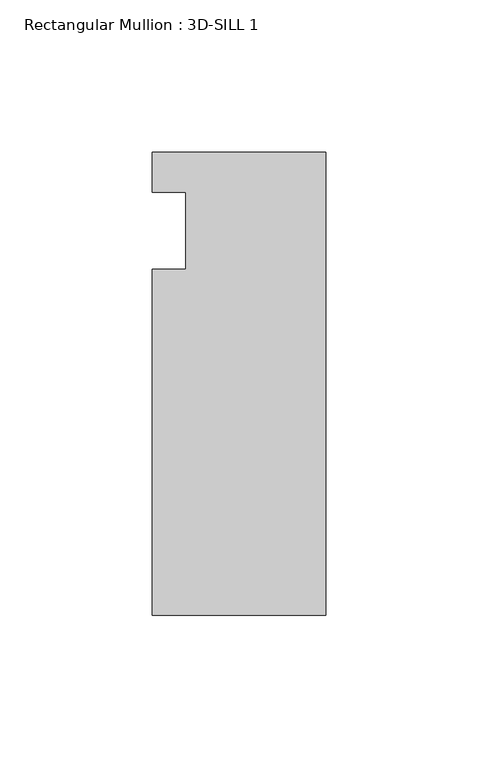
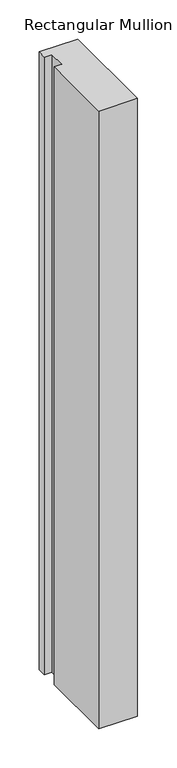
"""IFC4 building model written with IfcOpenShell, lengths in millimetres: member geometry, Rectangular Mullion : 3D-SILL 1."""

from ifc_helpers import new_model, si_unit, frame, origin, place, context, project, spatial, polyline, outline, extrude, source, transform, mapped, element, save


def rectangular_mullion_3d_sill_1_7cfeea24(model_context):
    return source(origin(), model_context, "Body", "SweptSolid", [
        extrude(outline(polyline([(-57.15, 7.14375), (0.0, 7.14375), (0.0, -145.25625), (-57.15, -145.25625), (-57.15, -31.45155), (-46.0375, -31.45155), (-46.0375, -6.05155), (-57.15, -6.05155), (-57.15, 7.14375)])), frame((0.0, 0.0, -963.6550285), z_axis=(0.0, 0.0, 1.0), x_axis=(1.0, 0.0, 0.0)), (0.0, 0.0, 1.0), 963.6550285),
    ])


if __name__ == "__main__":
    model = new_model("IFC4")
    model_context = context("Model", 3, world=origin())
    ifc_project = project(units=[si_unit("LENGTHUNIT", "METRE", prefix="MILLI")], contexts=[model_context])
    site = spatial("IfcSite", under=ifc_project)
    building = spatial("IfcBuilding", under=site)
    placement = place(None, origin())
    rectangular_mullion_3d_sill_1_shape = rectangular_mullion_3d_sill_1_7cfeea24(model_context)
    element("IfcMember", 1, ObjectType="Rectangular Mullion : 3D-SILL 1", at=placement, inside=building, context=model_context, shape_type="MappedRepresentation", body=[
        mapped(rectangular_mullion_3d_sill_1_shape, transform((0.0, 0.0, 0.0), x_axis=(1.0, 0.0, 0.0), y_axis=(0.0, 1.0, 0.0), z_axis=(0.0, 0.0, 1.0))),
    ])
    save(model, "model.ifc")
